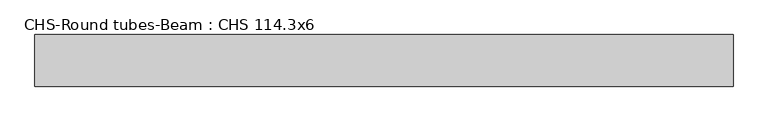
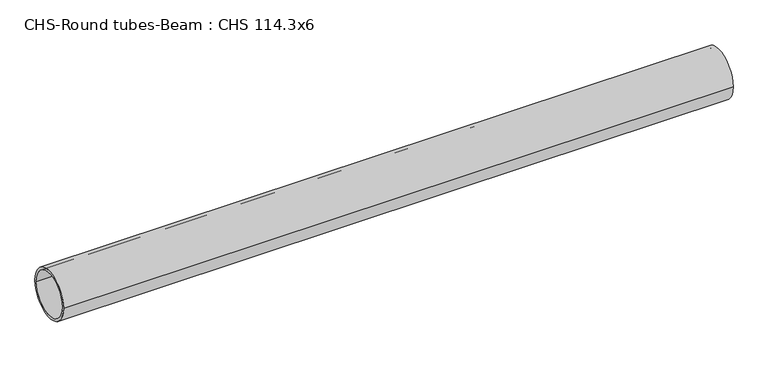
"""IFC4 building model written with IfcOpenShell, lengths in millimetres: beam geometry, CHS-Round tubes-Beam : CHS 114.3x6."""

from ifc_helpers import new_model, si_unit, point, frame, origin, origin_2d, place, context, project, spatial, circle_curve, trimmed, segment, composite_curve, outline, extrude, source, transform, mapped, element, save


def chs_round_tubes_beam_chs_114_3x6_85aba928(model_context):
    return source(origin(), model_context, "Body", "SweptSolid", [
        extrude(outline(composite_curve([segment(trimmed(circle_curve(origin_2d(), 57.15), [point((57.15, 0.0))], [point((-57.15, 0.0))], False, "CARTESIAN"), True, "CONTINUOUS"), segment(trimmed(circle_curve(origin_2d(), 57.15), [point((-57.15, 0.0))], [point((57.15, 0.0))], False, "CARTESIAN"), True, "CONTINUOUS")], self_intersect=False), holes=[composite_curve([segment(trimmed(circle_curve(origin_2d(), 51.15), [point((51.15, 0.0))], [point((-51.15, 0.0))], True, "CARTESIAN"), True, "CONTINUOUS"), segment(trimmed(circle_curve(origin_2d(), 51.15), [point((-51.15, 0.0))], [point((51.15, 0.0))], True, "CARTESIAN"), True, "CONTINUOUS")], self_intersect=False)]), frame((-763.9988719, 0.0, 0.0), z_axis=(1.0, 0.0, 0.0), x_axis=(0.0, 1.0, 0.0)), (0.0, 0.0, 1.0), 1544.4091261),
    ])


if __name__ == "__main__":
    model = new_model("IFC4")
    model_context = context("Model", 3, world=origin())
    ifc_project = project(units=[si_unit("LENGTHUNIT", "METRE", prefix="MILLI")], contexts=[model_context])
    site = spatial("IfcSite", under=ifc_project)
    building = spatial("IfcBuilding", under=site)
    placement = place(None, origin())
    chs_round_tubes_beam_chs_114_3x6_shape = chs_round_tubes_beam_chs_114_3x6_85aba928(model_context)
    element("IfcBeam", 1, ObjectType="CHS-Round tubes-Beam : CHS 114.3x6", at=placement, inside=building, context=model_context, shape_type="MappedRepresentation", body=[
        mapped(chs_round_tubes_beam_chs_114_3x6_shape, transform((0.0, 0.0, 0.0), x_axis=(1.0, 0.0, 0.0), y_axis=(0.0, 1.0, 0.0), z_axis=(0.0, 0.0, 1.0))),
    ])
    save(model, "model.ifc")
